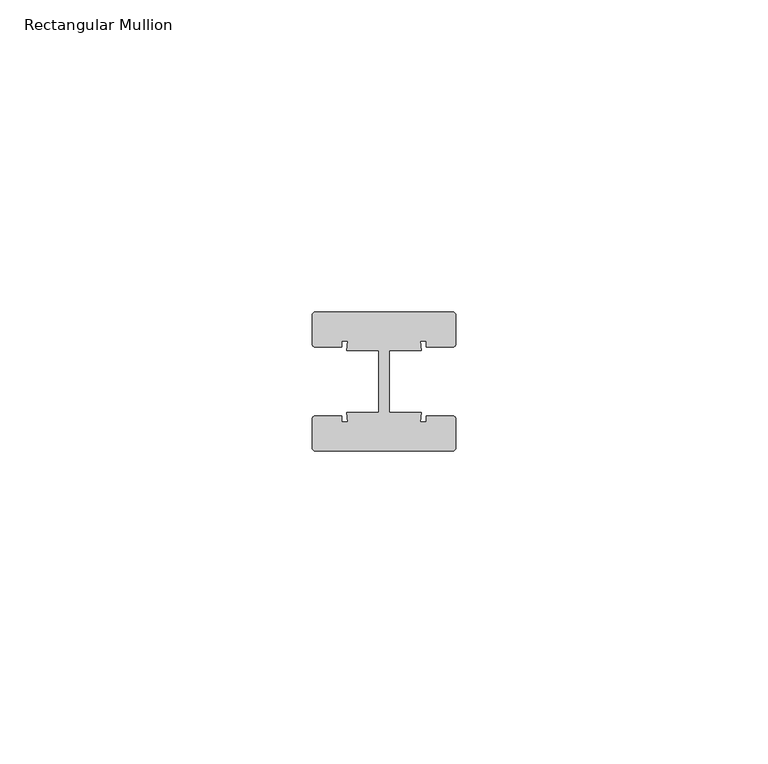
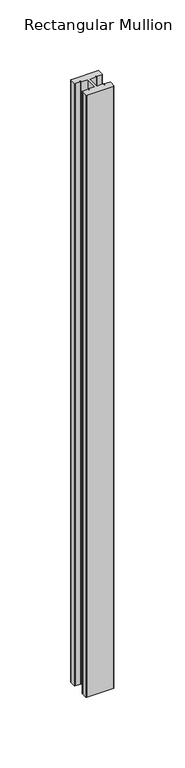
"""IFC4 building model written with IfcOpenShell, lengths in millimetres: member geometry, Rectangular Mullion."""

from ifc_helpers import new_model, si_unit, point, frame, frame_2d, origin, place, context, project, spatial, polyline, circle_curve, trimmed, segment, composite_curve, outline, extrude, source, transform, mapped, element, save


def rectangular_mullion_81a12f89(model_context):
    return source(origin(), model_context, "Body", "SweptSolid", [
        extrude(outline(composite_curve([segment(trimmed(circle_curve(frame_2d((-11.0, 10.64)), 0.5), [point((-11.5, 10.64))], [point((-11.0, 11.14))], False, "CARTESIAN"), True, "CONTINUOUS"), segment(polyline([(-11.0, 11.14), (11.0, 11.14)]), True, "CONTINUOUS"), segment(trimmed(circle_curve(frame_2d((11.0, 10.64)), 0.5), [point((11.0, 11.14))], [point((11.5, 10.64))], False, "CARTESIAN"), True, "CONTINUOUS"), segment(polyline([(11.5, 10.64), (11.5, 6.0)]), True, "CONTINUOUS"), segment(trimmed(circle_curve(frame_2d((11.0, 6.0)), 0.5), [point((11.5, 6.0))], [point((11.0, 5.5))], False, "CARTESIAN"), True, "CONTINUOUS"), segment(polyline([(11.0, 5.5), (6.75, 5.5), (6.75, 6.5), (5.7984177, 6.5), (6.0, 5.0), (0.840625, 5.0), (0.840625, -5.0), (6.0, -5.0), (5.7984177, -6.5), (6.75, -6.5), (6.75, -5.5), (11.0, -5.5)]), True, "CONTINUOUS"), segment(trimmed(circle_curve(frame_2d((11.0, -6.0)), 0.5), [point((11.0, -5.5))], [point((11.5, -6.0))], False, "CARTESIAN"), True, "CONTINUOUS"), segment(polyline([(11.5, -6.0), (11.5, -10.64)]), True, "CONTINUOUS"), segment(trimmed(circle_curve(frame_2d((11.0, -10.64)), 0.5), [point((11.5, -10.64))], [point((11.0, -11.14))], False, "CARTESIAN"), True, "CONTINUOUS"), segment(polyline([(11.0, -11.14), (-11.0, -11.14)]), True, "CONTINUOUS"), segment(trimmed(circle_curve(frame_2d((-11.0, -10.64)), 0.5), [point((-11.0, -11.14))], [point((-11.5, -10.64))], False, "CARTESIAN"), True, "CONTINUOUS"), segment(polyline([(-11.5, -10.64), (-11.5, -6.0)]), True, "CONTINUOUS"), segment(trimmed(circle_curve(frame_2d((-11.0, -6.0)), 0.5), [point((-11.5, -6.0))], [point((-11.0, -5.5))], False, "CARTESIAN"), True, "CONTINUOUS"), segment(polyline([(-11.0, -5.5), (-6.75, -5.5), (-6.75, -6.5), (-5.7984177, -6.5), (-6.0, -5.0), (-0.840625, -5.0), (-0.840625, 5.0), (-6.0, 5.0), (-5.7984177, 6.5), (-6.75, 6.5), (-6.75, 5.5), (-11.0, 5.5)]), True, "CONTINUOUS"), segment(trimmed(circle_curve(frame_2d((-11.0, 6.0)), 0.5), [point((-11.0, 5.5))], [point((-11.5, 6.0))], False, "CARTESIAN"), True, "CONTINUOUS"), segment(polyline([(-11.5, 6.0), (-11.5, 10.64)]), True, "CONTINUOUS")], self_intersect=False)), frame((0.0, 0.0, -521.9), z_axis=(0.0, 0.0, 1.0), x_axis=(1.0, 0.0, 0.0)), (0.0, 0.0, 1.0), 521.9),
    ])


if __name__ == "__main__":
    model = new_model("IFC4")
    model_context = context("Model", 3, world=origin())
    ifc_project = project(units=[si_unit("LENGTHUNIT", "METRE", prefix="MILLI")], contexts=[model_context])
    site = spatial("IfcSite", under=ifc_project)
    building = spatial("IfcBuilding", under=site)
    placement = place(None, origin())
    rectangular_mullion_shape = rectangular_mullion_81a12f89(model_context)
    element("IfcMember", 1, ObjectType="Rectangular Mullion", at=placement, inside=building, context=model_context, shape_type="MappedRepresentation", body=[
        mapped(rectangular_mullion_shape, transform((0.0, 0.0, 0.0), x_axis=(1.0, 0.0, 0.0), y_axis=(0.0, 1.0, 0.0), z_axis=(0.0, 0.0, 1.0))),
    ])
    save(model, "model.ifc")
